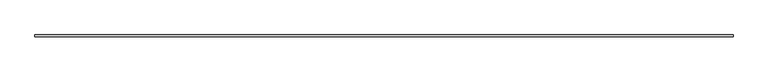
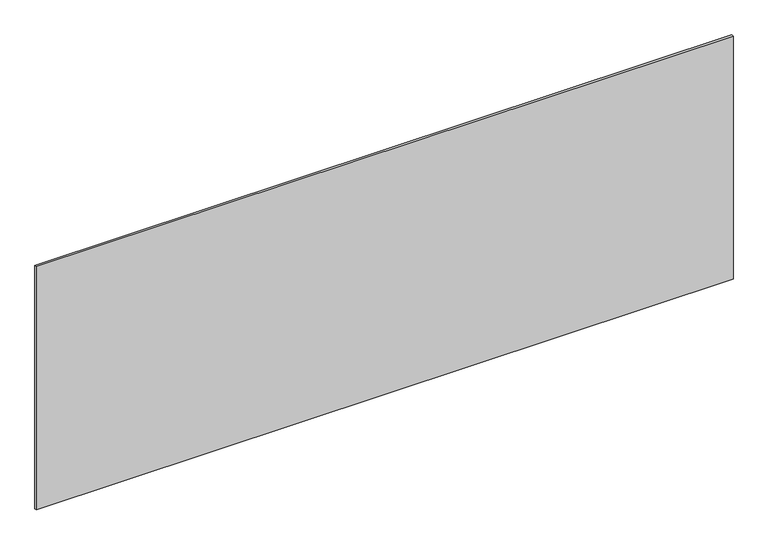
"""IFC4 building model written with IfcOpenShell, lengths in millimetres: plate geometry."""

from ifc_helpers import new_model, si_unit, origin, origin_with_axes, place, context, project, spatial, polyline, outline, extrude, source, transform, mapped, element, save


def plate_98c14705(model_context):
    return source(origin(), model_context, "Body", "SweptSolid", [
        extrude(outline(polyline([(1715.0, -5.0), (-1715.0, -5.0), (-1715.0, 5.0), (1715.0, 5.0), (1715.0, -5.0)])), origin_with_axes(), (0.0, 0.0, 1.0), 1265.8860683),
    ])


if __name__ == "__main__":
    model = new_model("IFC4")
    model_context = context("Model", 3, world=origin())
    ifc_project = project(units=[si_unit("LENGTHUNIT", "METRE", prefix="MILLI")], contexts=[model_context])
    site = spatial("IfcSite", under=ifc_project)
    building = spatial("IfcBuilding", under=site)
    placement = place(None, origin())
    plate_shape = plate_98c14705(model_context)
    element("IfcPlate", 1, at=placement, inside=building, context=model_context, shape_type="MappedRepresentation", body=[
        mapped(plate_shape, transform((0.0, 0.0, 0.0), x_axis=(1.0, 0.0, 0.0), y_axis=(0.0, 1.0, 0.0), z_axis=(0.0, 0.0, 1.0))),
    ])
    save(model, "model.ifc")
